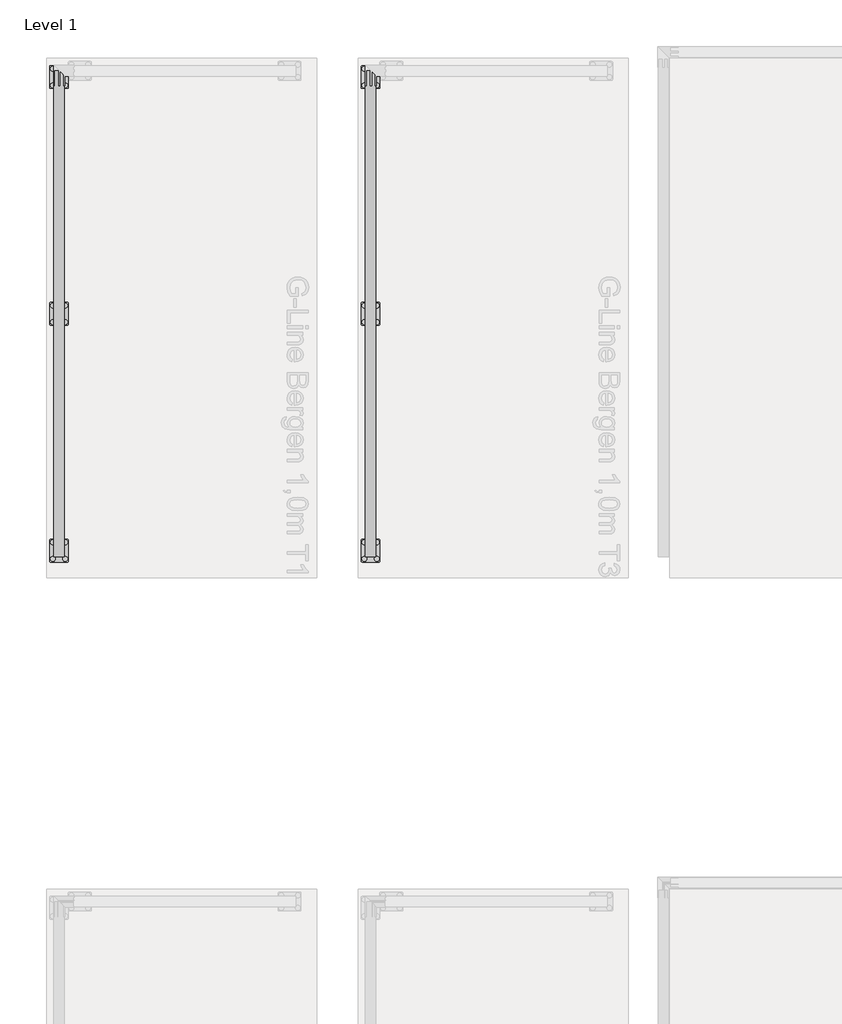
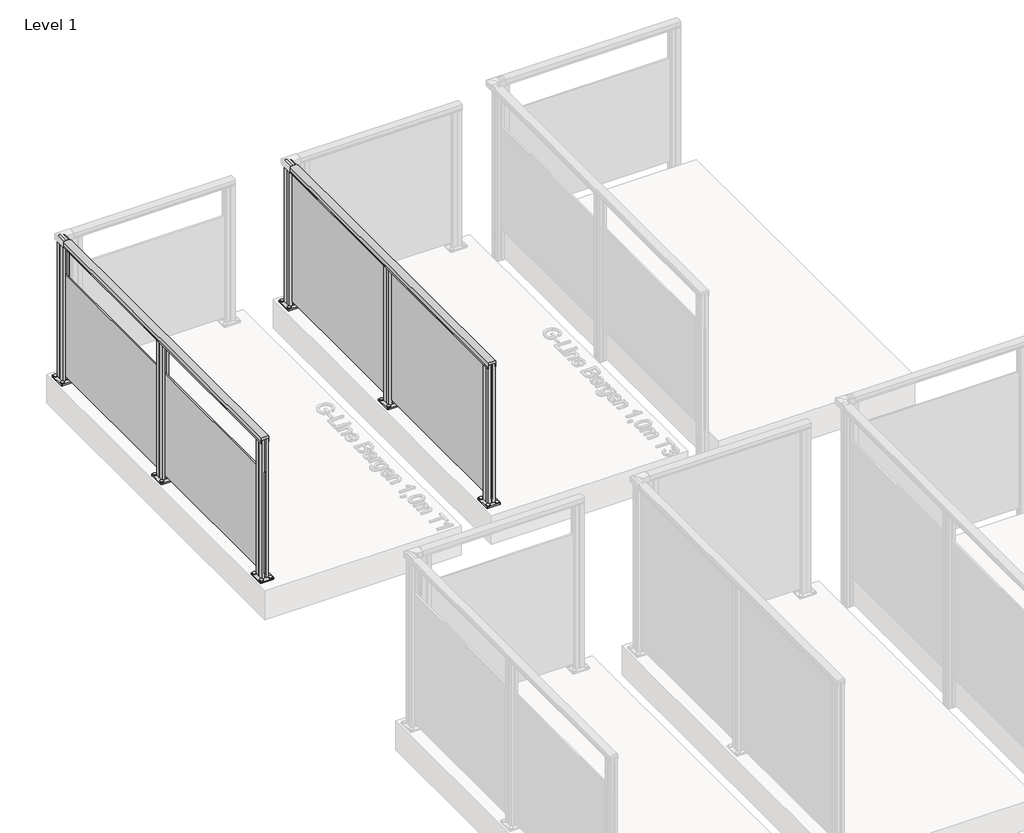
# One storey, part 5 of 13: 2 railings.
"""IFC4 building model written with IfcOpenShell, lengths in millimetres."""

from ifc_helpers import new_model, si_unit, point, frame, frame_2d, origin, origin_with_axes, place, context, project, spatial, polyline, circle_curve, trimmed, segment, composite_curve, outline, extrude, element, save

model = new_model("IFC4")

# Units and contexts
model_context = context("Model", 3, world=origin())
ifc_project = project(units=[si_unit("LENGTHUNIT", "METRE", prefix="MILLI")], contexts=[model_context])

# Site, building, storey
site = spatial("IfcSite", under=ifc_project)
building = spatial("IfcBuilding", under=site)
storey = spatial("IfcBuildingStorey", under=building, Name="Level 1", Elevation=0.0)

# Railings
placement = place(None, origin())
element("IfcRailing", 1, at=placement, inside=storey, context=model_context, shape_type="SweptSolid", body=[
    extrude(outline(composite_curve([segment(trimmed(circle_curve(frame_2d((57.3214498, -0.0047199)), 57.3235687), [point((5.8609941, -25.2596802))], [point((5.8657742, 25.2599781))], False, "CARTESIAN"), True, "CONTINUOUS"), segment(polyline([(5.8657742, 25.2599781), (32.9764977, 25.2599781), (33.5584294, 24.6780464), (34.1805105, 25.3001274), (42.7501153, 25.3001274), (42.7501153, 23.4951745), (19.5001171, 23.4951745), (19.5001171, -23.4998716), (42.7501153, -23.4998716), (42.7501153, -25.2596802), (34.0305105, -25.2596802), (33.4157275, -24.6448972), (32.8009445, -25.2596802), (5.8609941, -25.2596802)]), True, "CONTINUOUS")], self_intersect=False)), frame((-5736.9909016, -39.6459103, 1000.0), z_axis=(1.9358301858992035e-12, 1.0, 0.0), x_axis=(0.0, 0.0, -1.0)), (0.0, 0.0, 1.0), 2340.0),
    extrude(outline(polyline([(-5742.0909978, 2300.3540897), (-5733.3309978, 2300.3540897), (-5733.3309978, -39.6459103), (-5742.0909978, -39.6459103), (-5742.0909978, 2300.3540897)])), frame((0.0, 0.0, 40.0), z_axis=(0.0, 0.0, 1.0), x_axis=(1.0, 0.0, 0.0)), (0.0, 0.0, 1.0), 710.0),
    extrude(outline(composite_curve([segment(trimmed(circle_curve(frame_2d((-5767.7109978, 1170.3540897)), 11.9621755), [point((-5779.6731733, 1170.3540897))], [point((-5755.7488224, 1170.3540897))], False, "CARTESIAN"), True, "CONTINUOUS"), segment(trimmed(circle_curve(frame_2d((-5767.7109978, 1170.3540897)), 11.9621755), [point((-5755.7488224, 1170.3540897))], [point((-5779.6731733, 1170.3540897))], False, "CARTESIAN"), True, "CONTINUOUS")], self_intersect=False)), frame((0.0, 0.0, 10.0), z_axis=(0.0, 0.0, 1.0), x_axis=(1.0, 0.0, 0.0)), (0.0, 0.0, 1.0), 5.0),
    extrude(outline(composite_curve([segment(trimmed(circle_curve(frame_2d((-5707.7109978, 1170.3540897)), 11.9621755), [point((-5719.6731733, 1170.3540897))], [point((-5695.7488224, 1170.3540897))], False, "CARTESIAN"), True, "CONTINUOUS"), segment(trimmed(circle_curve(frame_2d((-5707.7109978, 1170.3540897)), 11.9621755), [point((-5695.7488224, 1170.3540897))], [point((-5719.6731733, 1170.3540897))], False, "CARTESIAN"), True, "CONTINUOUS")], self_intersect=False)), frame((0.0, 0.0, 10.0), z_axis=(0.0, 0.0, 1.0), x_axis=(1.0, 0.0, 0.0)), (0.0, 0.0, 1.0), 5.0),
    extrude(outline(composite_curve([segment(trimmed(circle_curve(frame_2d((-5767.7109978, 1090.3540897)), 11.9621755), [point((-5779.6731733, 1090.3540897))], [point((-5755.7488224, 1090.3540897))], False, "CARTESIAN"), True, "CONTINUOUS"), segment(trimmed(circle_curve(frame_2d((-5767.7109978, 1090.3540897)), 11.9621755), [point((-5755.7488224, 1090.3540897))], [point((-5779.6731733, 1090.3540897))], False, "CARTESIAN"), True, "CONTINUOUS")], self_intersect=False)), frame((0.0, 0.0, 10.0), z_axis=(0.0, 0.0, 1.0), x_axis=(1.0, 0.0, 0.0)), (0.0, 0.0, 1.0), 5.0),
    extrude(outline(composite_curve([segment(trimmed(circle_curve(frame_2d((-5707.7109978, 1090.3540897)), 11.9621755), [point((-5719.6731733, 1090.3540897))], [point((-5695.7488224, 1090.3540897))], False, "CARTESIAN"), True, "CONTINUOUS"), segment(trimmed(circle_curve(frame_2d((-5707.7109978, 1090.3540897)), 11.9621755), [point((-5695.7488224, 1090.3540897))], [point((-5719.6731733, 1090.3540897))], False, "CARTESIAN"), True, "CONTINUOUS")], self_intersect=False)), frame((0.0, 0.0, 10.0), z_axis=(0.0, 0.0, 1.0), x_axis=(1.0, 0.0, 0.0)), (0.0, 0.0, 1.0), 5.0),
    extrude(outline(composite_curve([segment(trimmed(circle_curve(frame_2d((-5697.7109978, 1180.3540897)), 5.0), [point((-5697.7109978, 1185.3540897))], [point((-5692.7109978, 1180.3540897))], False, "CARTESIAN"), True, "CONTINUOUS"), segment(polyline([(-5692.7109978, 1180.3540897), (-5692.7109978, 1080.3540897)]), True, "CONTINUOUS"), segment(trimmed(circle_curve(frame_2d((-5697.7109978, 1080.3540897)), 5.0), [point((-5692.7109978, 1080.3540897))], [point((-5697.7109978, 1075.3540897))], False, "CARTESIAN"), True, "CONTINUOUS"), segment(polyline([(-5697.7109978, 1075.3540897), (-5777.7109978, 1075.3540897)]), True, "CONTINUOUS"), segment(trimmed(circle_curve(frame_2d((-5777.7109978, 1080.3540897)), 5.0), [point((-5777.7109978, 1075.3540897))], [point((-5782.7109978, 1080.3540897))], False, "CARTESIAN"), True, "CONTINUOUS"), segment(polyline([(-5782.7109978, 1080.3540897), (-5782.7109978, 1180.3540897)]), True, "CONTINUOUS"), segment(trimmed(circle_curve(frame_2d((-5777.7109978, 1180.3540897)), 5.0), [point((-5782.7109978, 1180.3540897))], [point((-5777.7109978, 1185.3540897))], False, "CARTESIAN"), True, "CONTINUOUS"), segment(polyline([(-5777.7109978, 1185.3540897), (-5697.7109978, 1185.3540897)]), True, "CONTINUOUS")], self_intersect=False), holes=[composite_curve([segment(trimmed(circle_curve(frame_2d((-5707.7109978, 1170.3540897)), 6.25), [point((-5713.9609978, 1170.3540897))], [point((-5701.4609978, 1170.3540897))], True, "CARTESIAN"), True, "CONTINUOUS"), segment(trimmed(circle_curve(frame_2d((-5707.7109978, 1170.3540897)), 6.25), [point((-5701.4609978, 1170.3540897))], [point((-5713.9609978, 1170.3540897))], True, "CARTESIAN"), True, "CONTINUOUS")], self_intersect=False), composite_curve([segment(trimmed(circle_curve(frame_2d((-5767.7109978, 1170.3540897)), 6.25), [point((-5773.9609978, 1170.3540897))], [point((-5761.4609978, 1170.3540897))], True, "CARTESIAN"), True, "CONTINUOUS"), segment(trimmed(circle_curve(frame_2d((-5767.7109978, 1170.3540897)), 6.25), [point((-5761.4609978, 1170.3540897))], [point((-5773.9609978, 1170.3540897))], True, "CARTESIAN"), True, "CONTINUOUS")], self_intersect=False), composite_curve([segment(trimmed(circle_curve(frame_2d((-5767.7109978, 1090.3540897)), 6.25), [point((-5773.9609978, 1090.3540897))], [point((-5761.4609978, 1090.3540897))], True, "CARTESIAN"), True, "CONTINUOUS"), segment(trimmed(circle_curve(frame_2d((-5767.7109978, 1090.3540897)), 6.25), [point((-5761.4609978, 1090.3540897))], [point((-5773.9609978, 1090.3540897))], True, "CARTESIAN"), True, "CONTINUOUS")], self_intersect=False), composite_curve([segment(trimmed(circle_curve(frame_2d((-5707.7109978, 1090.3540897)), 6.25), [point((-5713.9609978, 1090.3540897))], [point((-5701.4609978, 1090.3540897))], True, "CARTESIAN"), True, "CONTINUOUS"), segment(trimmed(circle_curve(frame_2d((-5707.7109978, 1090.3540897)), 6.25), [point((-5701.4609978, 1090.3540897))], [point((-5713.9609978, 1090.3540897))], True, "CARTESIAN"), True, "CONTINUOUS")], self_intersect=False)]), origin_with_axes(), (0.0, 0.0, 1.0), 10.0),
    extrude(outline(polyline([(-5742.0568598, 1100.3556828), (-5760.2018596, 1100.3530106), (-5760.2061255, 1129.3199976), (-5759.1779842, 1130.3484418), (-5760.1663738, 1131.3365403), (-5760.170647, 1160.3530158), (-5742.0656959, 1160.3556821), (-5742.0631187, 1142.8556823), (-5733.3031188, 1142.8569724), (-5733.305696, 1160.3569722), (-5715.2106962, 1160.359637), (-5715.2064303, 1131.39265), (-5716.1247626, 1130.3547822), (-5715.2463405, 1129.4766187), (-5715.2420524, 1100.3596318), (-5733.2968599, 1100.3569728), (-5733.2994371, 1117.8569727), (-5742.059437, 1117.8556826), (-5742.0568598, 1100.3556828)]), holes=[polyline([(-5717.2049821, 1139.1533047), (-5758.2075736, 1139.1533047), (-5758.2075736, 1121.5593429), (-5717.2049821, 1121.5593429), (-5717.2049821, 1139.1533047)]), polyline([(-5744.0628683, 1158.3533045), (-5758.2104012, 1158.3533045), (-5758.2104012, 1141.1553878), (-5744.0628683, 1141.1553878), (-5744.0628683, 1158.3533045)]), polyline([(-5717.2049821, 1158.3572667), (-5731.3054015, 1158.3572667), (-5731.3054015, 1141.1593431), (-5717.2049821, 1141.1593431), (-5717.2049821, 1158.3572667)]), polyline([(-5744.0571543, 1119.5533049), (-5758.2046872, 1119.5533049), (-5758.2046872, 1102.3553882), (-5744.0571543, 1102.3553882), (-5744.0571543, 1119.5533049)]), polyline([(-5717.1521546, 1119.5572672), (-5731.2996875, 1119.5572672), (-5731.2996875, 1102.3593505), (-5717.1521546, 1102.3593505), (-5717.1521546, 1119.5572672)])]), frame((0.0, 0.0, 10.0), z_axis=(0.0, 0.0, 1.0), x_axis=(1.0, 0.0, 0.0)), (0.0, 0.0, 1.0), 971.0),
    extrude(outline(composite_curve([segment(trimmed(circle_curve(frame_2d((-5767.7109978, 30.3540897)), 11.9621755), [point((-5779.6731733, 30.3540897))], [point((-5755.7488224, 30.3540897))], False, "CARTESIAN"), True, "CONTINUOUS"), segment(trimmed(circle_curve(frame_2d((-5767.7109978, 30.3540897)), 11.9621755), [point((-5755.7488224, 30.3540897))], [point((-5779.6731733, 30.3540897))], False, "CARTESIAN"), True, "CONTINUOUS")], self_intersect=False)), frame((0.0, 0.0, 10.0), z_axis=(0.0, 0.0, 1.0), x_axis=(1.0, 0.0, 0.0)), (0.0, 0.0, 1.0), 5.0),
    extrude(outline(composite_curve([segment(trimmed(circle_curve(frame_2d((-5707.7109978, 30.3540897)), 11.9621755), [point((-5719.6731733, 30.3540897))], [point((-5695.7488224, 30.3540897))], False, "CARTESIAN"), True, "CONTINUOUS"), segment(trimmed(circle_curve(frame_2d((-5707.7109978, 30.3540897)), 11.9621755), [point((-5695.7488224, 30.3540897))], [point((-5719.6731733, 30.3540897))], False, "CARTESIAN"), True, "CONTINUOUS")], self_intersect=False)), frame((0.0, 0.0, 10.0), z_axis=(0.0, 0.0, 1.0), x_axis=(1.0, 0.0, 0.0)), (0.0, 0.0, 1.0), 5.0),
    extrude(outline(composite_curve([segment(trimmed(circle_curve(frame_2d((-5767.7109978, -49.6459103)), 11.9621755), [point((-5779.6731733, -49.6459103))], [point((-5755.7488224, -49.6459103))], False, "CARTESIAN"), True, "CONTINUOUS"), segment(trimmed(circle_curve(frame_2d((-5767.7109978, -49.6459103)), 11.9621755), [point((-5755.7488224, -49.6459103))], [point((-5779.6731733, -49.6459103))], False, "CARTESIAN"), True, "CONTINUOUS")], self_intersect=False)), frame((0.0, 0.0, 10.0), z_axis=(0.0, 0.0, 1.0), x_axis=(1.0, 0.0, 0.0)), (0.0, 0.0, 1.0), 5.0),
    extrude(outline(composite_curve([segment(trimmed(circle_curve(frame_2d((-5707.7109978, -49.6459103)), 11.9621755), [point((-5719.6731733, -49.6459103))], [point((-5695.7488224, -49.6459103))], False, "CARTESIAN"), True, "CONTINUOUS"), segment(trimmed(circle_curve(frame_2d((-5707.7109978, -49.6459103)), 11.9621755), [point((-5695.7488224, -49.6459103))], [point((-5719.6731733, -49.6459103))], False, "CARTESIAN"), True, "CONTINUOUS")], self_intersect=False)), frame((0.0, 0.0, 10.0), z_axis=(0.0, 0.0, 1.0), x_axis=(1.0, 0.0, 0.0)), (0.0, 0.0, 1.0), 5.0),
    extrude(outline(composite_curve([segment(trimmed(circle_curve(frame_2d((-5697.7109978, 40.3540897)), 5.0), [point((-5697.7109978, 45.3540897))], [point((-5692.7109978, 40.3540897))], False, "CARTESIAN"), True, "CONTINUOUS"), segment(polyline([(-5692.7109978, 40.3540897), (-5692.7109978, -59.6459103)]), True, "CONTINUOUS"), segment(trimmed(circle_curve(frame_2d((-5697.7109978, -59.6459103)), 5.0), [point((-5692.7109978, -59.6459103))], [point((-5697.7109978, -64.6459103))], False, "CARTESIAN"), True, "CONTINUOUS"), segment(polyline([(-5697.7109978, -64.6459103), (-5777.7109978, -64.6459103)]), True, "CONTINUOUS"), segment(trimmed(circle_curve(frame_2d((-5777.7109978, -59.6459103)), 5.0), [point((-5777.7109978, -64.6459103))], [point((-5782.7109978, -59.6459103))], False, "CARTESIAN"), True, "CONTINUOUS"), segment(polyline([(-5782.7109978, -59.6459103), (-5782.7109978, 40.3540897)]), True, "CONTINUOUS"), segment(trimmed(circle_curve(frame_2d((-5777.7109978, 40.3540897)), 5.0), [point((-5782.7109978, 40.3540897))], [point((-5777.7109978, 45.3540897))], False, "CARTESIAN"), True, "CONTINUOUS"), segment(polyline([(-5777.7109978, 45.3540897), (-5697.7109978, 45.3540897)]), True, "CONTINUOUS")], self_intersect=False), holes=[composite_curve([segment(trimmed(circle_curve(frame_2d((-5707.7109978, 30.3540897)), 6.25), [point((-5713.9609978, 30.3540897))], [point((-5701.4609978, 30.3540897))], True, "CARTESIAN"), True, "CONTINUOUS"), segment(trimmed(circle_curve(frame_2d((-5707.7109978, 30.3540897)), 6.25), [point((-5701.4609978, 30.3540897))], [point((-5713.9609978, 30.3540897))], True, "CARTESIAN"), True, "CONTINUOUS")], self_intersect=False), composite_curve([segment(trimmed(circle_curve(frame_2d((-5767.7109978, 30.3540897)), 6.25), [point((-5773.9609978, 30.3540897))], [point((-5761.4609978, 30.3540897))], True, "CARTESIAN"), True, "CONTINUOUS"), segment(trimmed(circle_curve(frame_2d((-5767.7109978, 30.3540897)), 6.25), [point((-5761.4609978, 30.3540897))], [point((-5773.9609978, 30.3540897))], True, "CARTESIAN"), True, "CONTINUOUS")], self_intersect=False), composite_curve([segment(trimmed(circle_curve(frame_2d((-5767.7109978, -49.6459103)), 6.25), [point((-5773.9609978, -49.6459103))], [point((-5761.4609978, -49.6459103))], True, "CARTESIAN"), True, "CONTINUOUS"), segment(trimmed(circle_curve(frame_2d((-5767.7109978, -49.6459103)), 6.25), [point((-5761.4609978, -49.6459103))], [point((-5773.9609978, -49.6459103))], True, "CARTESIAN"), True, "CONTINUOUS")], self_intersect=False), composite_curve([segment(trimmed(circle_curve(frame_2d((-5707.7109978, -49.6459103)), 6.25), [point((-5713.9609978, -49.6459103))], [point((-5701.4609978, -49.6459103))], True, "CARTESIAN"), True, "CONTINUOUS"), segment(trimmed(circle_curve(frame_2d((-5707.7109978, -49.6459103)), 6.25), [point((-5701.4609978, -49.6459103))], [point((-5713.9609978, -49.6459103))], True, "CARTESIAN"), True, "CONTINUOUS")], self_intersect=False)]), origin_with_axes(), (0.0, 0.0, 1.0), 10.0),
    extrude(outline(polyline([(-5742.0568598, -39.6443172), (-5760.2018596, -39.6469894), (-5760.2061255, -10.6800024), (-5759.1779842, -9.6515582), (-5760.1663738, -8.6634597), (-5760.170647, 20.3530158), (-5742.0656959, 20.3556821), (-5742.0631187, 2.8556823), (-5733.3031188, 2.8569724), (-5733.305696, 20.3569722), (-5715.2106962, 20.359637), (-5715.2064303, -8.60735), (-5716.1247626, -9.6452178), (-5715.2463405, -10.5233813), (-5715.2420525, -39.6403682), (-5733.2968599, -39.6430272), (-5733.2994371, -22.1430273), (-5742.059437, -22.1443174), (-5742.0568598, -39.6443172)]), holes=[polyline([(-5717.2049821, -0.8466953), (-5758.2075736, -0.8466953), (-5758.2075736, -18.4406571), (-5717.2049821, -18.4406571), (-5717.2049821, -0.8466953)]), polyline([(-5744.0628683, 18.3533045), (-5758.2104012, 18.3533045), (-5758.2104012, 1.1553878), (-5744.0628683, 1.1553878), (-5744.0628683, 18.3533045)]), polyline([(-5717.2049821, 18.3572667), (-5731.3054015, 18.3572667), (-5731.3054015, 1.1593431), (-5717.2049821, 1.1593431), (-5717.2049821, 18.3572667)]), polyline([(-5744.0571543, -20.4466951), (-5758.2046872, -20.4466951), (-5758.2046872, -37.6446118), (-5744.0571543, -37.6446118), (-5744.0571543, -20.4466951)]), polyline([(-5717.1521546, -20.4427328), (-5731.2996875, -20.4427328), (-5731.2996875, -37.6406495), (-5717.1521546, -37.6406495), (-5717.1521546, -20.4427328)])]), frame((0.0, 0.0, 10.0), z_axis=(0.0, 0.0, 1.0), x_axis=(1.0, 0.0, 0.0)), (0.0, 0.0, 1.0), 971.0),
    extrude(outline(composite_curve([segment(trimmed(circle_curve(frame_2d((-5767.7109978, 2310.3540897)), 11.9621755), [point((-5779.6731733, 2310.3540897))], [point((-5755.7488224, 2310.3540897))], False, "CARTESIAN"), True, "CONTINUOUS"), segment(trimmed(circle_curve(frame_2d((-5767.7109978, 2310.3540897)), 11.9621755), [point((-5755.7488224, 2310.3540897))], [point((-5779.6731733, 2310.3540897))], False, "CARTESIAN"), True, "CONTINUOUS")], self_intersect=False)), frame((0.0, 0.0, 10.0), z_axis=(0.0, 0.0, 1.0), x_axis=(1.0, 0.0, 0.0)), (0.0, 0.0, 1.0), 5.0),
    extrude(outline(composite_curve([segment(trimmed(circle_curve(frame_2d((-5707.7109978, 2310.3540897)), 11.9621755), [point((-5719.6731733, 2310.3540897))], [point((-5695.7488224, 2310.3540897))], False, "CARTESIAN"), True, "CONTINUOUS"), segment(trimmed(circle_curve(frame_2d((-5707.7109978, 2310.3540897)), 11.9621755), [point((-5695.7488224, 2310.3540897))], [point((-5719.6731733, 2310.3540897))], False, "CARTESIAN"), True, "CONTINUOUS")], self_intersect=False)), frame((0.0, 0.0, 10.0), z_axis=(0.0, 0.0, 1.0), x_axis=(1.0, 0.0, 0.0)), (0.0, 0.0, 1.0), 5.0),
    extrude(outline(composite_curve([segment(trimmed(circle_curve(frame_2d((-5767.7109978, 2230.3540897)), 11.9621755), [point((-5779.6731733, 2230.3540897))], [point((-5755.7488224, 2230.3540897))], False, "CARTESIAN"), True, "CONTINUOUS"), segment(trimmed(circle_curve(frame_2d((-5767.7109978, 2230.3540897)), 11.9621755), [point((-5755.7488224, 2230.3540897))], [point((-5779.6731733, 2230.3540897))], False, "CARTESIAN"), True, "CONTINUOUS")], self_intersect=False)), frame((0.0, 0.0, 10.0), z_axis=(0.0, 0.0, 1.0), x_axis=(1.0, 0.0, 0.0)), (0.0, 0.0, 1.0), 5.0),
    extrude(outline(composite_curve([segment(trimmed(circle_curve(frame_2d((-5707.7109978, 2230.3540897)), 11.9621755), [point((-5719.6731733, 2230.3540897))], [point((-5695.7488224, 2230.3540897))], False, "CARTESIAN"), True, "CONTINUOUS"), segment(trimmed(circle_curve(frame_2d((-5707.7109978, 2230.3540897)), 11.9621755), [point((-5695.7488224, 2230.3540897))], [point((-5719.6731733, 2230.3540897))], False, "CARTESIAN"), True, "CONTINUOUS")], self_intersect=False)), frame((0.0, 0.0, 10.0), z_axis=(0.0, 0.0, 1.0), x_axis=(1.0, 0.0, 0.0)), (0.0, 0.0, 1.0), 5.0),
    extrude(outline(composite_curve([segment(trimmed(circle_curve(frame_2d((-5697.7109978, 2320.3540897)), 5.0), [point((-5697.7109978, 2325.3540897))], [point((-5692.7109978, 2320.3540897))], False, "CARTESIAN"), True, "CONTINUOUS"), segment(polyline([(-5692.7109978, 2320.3540897), (-5692.7109978, 2220.3540897)]), True, "CONTINUOUS"), segment(trimmed(circle_curve(frame_2d((-5697.7109978, 2220.3540897)), 5.0), [point((-5692.7109978, 2220.3540897))], [point((-5697.7109978, 2215.3540897))], False, "CARTESIAN"), True, "CONTINUOUS"), segment(polyline([(-5697.7109978, 2215.3540897), (-5777.7109978, 2215.3540897)]), True, "CONTINUOUS"), segment(trimmed(circle_curve(frame_2d((-5777.7109978, 2220.3540897)), 5.0), [point((-5777.7109978, 2215.3540897))], [point((-5782.7109978, 2220.3540897))], False, "CARTESIAN"), True, "CONTINUOUS"), segment(polyline([(-5782.7109978, 2220.3540897), (-5782.7109978, 2320.3540897)]), True, "CONTINUOUS"), segment(trimmed(circle_curve(frame_2d((-5777.7109978, 2320.3540897)), 5.0), [point((-5782.7109978, 2320.3540897))], [point((-5777.7109978, 2325.3540897))], False, "CARTESIAN"), True, "CONTINUOUS"), segment(polyline([(-5777.7109978, 2325.3540897), (-5697.7109978, 2325.3540897)]), True, "CONTINUOUS")], self_intersect=False), holes=[composite_curve([segment(trimmed(circle_curve(frame_2d((-5707.7109978, 2310.3540897)), 6.25), [point((-5713.9609978, 2310.3540897))], [point((-5701.4609978, 2310.3540897))], True, "CARTESIAN"), True, "CONTINUOUS"), segment(trimmed(circle_curve(frame_2d((-5707.7109978, 2310.3540897)), 6.25), [point((-5701.4609978, 2310.3540897))], [point((-5713.9609978, 2310.3540897))], True, "CARTESIAN"), True, "CONTINUOUS")], self_intersect=False), composite_curve([segment(trimmed(circle_curve(frame_2d((-5767.7109978, 2310.3540897)), 6.25), [point((-5773.9609978, 2310.3540897))], [point((-5761.4609978, 2310.3540897))], True, "CARTESIAN"), True, "CONTINUOUS"), segment(trimmed(circle_curve(frame_2d((-5767.7109978, 2310.3540897)), 6.25), [point((-5761.4609978, 2310.3540897))], [point((-5773.9609978, 2310.3540897))], True, "CARTESIAN"), True, "CONTINUOUS")], self_intersect=False), composite_curve([segment(trimmed(circle_curve(frame_2d((-5767.7109978, 2230.3540897)), 6.25), [point((-5773.9609978, 2230.3540897))], [point((-5761.4609978, 2230.3540897))], True, "CARTESIAN"), True, "CONTINUOUS"), segment(trimmed(circle_curve(frame_2d((-5767.7109978, 2230.3540897)), 6.25), [point((-5761.4609978, 2230.3540897))], [point((-5773.9609978, 2230.3540897))], True, "CARTESIAN"), True, "CONTINUOUS")], self_intersect=False), composite_curve([segment(trimmed(circle_curve(frame_2d((-5707.7109978, 2230.3540897)), 6.25), [point((-5713.9609978, 2230.3540897))], [point((-5701.4609978, 2230.3540897))], True, "CARTESIAN"), True, "CONTINUOUS"), segment(trimmed(circle_curve(frame_2d((-5707.7109978, 2230.3540897)), 6.25), [point((-5701.4609978, 2230.3540897))], [point((-5713.9609978, 2230.3540897))], True, "CARTESIAN"), True, "CONTINUOUS")], self_intersect=False)]), origin_with_axes(), (0.0, 0.0, 1.0), 10.0),
    extrude(outline(polyline([(-5742.0568598, 2240.3556828), (-5760.2018596, 2240.3530106), (-5760.2061255, 2269.3199976), (-5759.1779842, 2270.3484418), (-5760.1663738, 2271.3365403), (-5760.170647, 2300.3530158), (-5742.0656959, 2300.3556821), (-5742.0631187, 2282.8556823), (-5733.3031188, 2282.8569724), (-5733.305696, 2300.3569722), (-5715.2106962, 2300.359637), (-5715.2064303, 2271.39265), (-5716.1247626, 2270.3547822), (-5715.2463405, 2269.4766187), (-5715.2420524, 2240.3596318), (-5733.2968599, 2240.3569728), (-5733.2994371, 2257.8569727), (-5742.059437, 2257.8556826), (-5742.0568598, 2240.3556828)]), holes=[polyline([(-5717.2049821, 2279.1533047), (-5758.2075736, 2279.1533047), (-5758.2075736, 2261.5593429), (-5717.2049821, 2261.5593429), (-5717.2049821, 2279.1533047)]), polyline([(-5744.0628683, 2298.3533045), (-5758.2104012, 2298.3533045), (-5758.2104012, 2281.1553878), (-5744.0628683, 2281.1553878), (-5744.0628683, 2298.3533045)]), polyline([(-5717.2049821, 2298.3572667), (-5731.3054015, 2298.3572667), (-5731.3054015, 2281.1593431), (-5717.2049821, 2281.1593431), (-5717.2049821, 2298.3572667)]), polyline([(-5744.0571543, 2259.5533049), (-5758.2046872, 2259.5533049), (-5758.2046872, 2242.3553882), (-5744.0571543, 2242.3553882), (-5744.0571543, 2259.5533049)]), polyline([(-5717.1521546, 2259.5572672), (-5731.2996875, 2259.5572672), (-5731.2996875, 2242.3593505), (-5717.1521546, 2242.3593505), (-5717.1521546, 2259.5572672)])]), frame((0.0, 0.0, 10.0), z_axis=(0.0, 0.0, 1.0), x_axis=(1.0, 0.0, 0.0)), (0.0, 0.0, 1.0), 971.0),
])
element("IfcRailing", 2, at=placement, inside=storey, context=model_context, shape_type="SweptSolid", body=[
    extrude(outline(composite_curve([segment(trimmed(circle_curve(frame_2d((57.3214498, -0.0047199)), 57.3235687), [point((5.8609941, -25.2596802))], [point((5.8657742, 25.2599781))], False, "CARTESIAN"), True, "CONTINUOUS"), segment(polyline([(5.8657742, 25.2599781), (32.9764977, 25.2599781), (33.5584294, 24.6780464), (34.1805105, 25.3001274), (42.7501153, 25.3001274), (42.7501153, 23.4951745), (19.5001171, 23.4951745), (19.5001171, -23.4998716), (42.7501153, -23.4998716), (42.7501153, -25.2596802), (34.0305105, -25.2596802), (33.4157275, -24.6448972), (32.8009445, -25.2596802), (5.8609941, -25.2596802)]), True, "CONTINUOUS")], self_intersect=False)), frame((-4236.9909016, -39.6459103, 1000.0), z_axis=(1.9358301858992035e-12, 1.0, 0.0), x_axis=(0.0, 0.0, -1.0)), (0.0, 0.0, 1.0), 2340.0),
    extrude(outline(polyline([(-4242.0909978, 2300.3540897), (-4233.3309978, 2300.3540897), (-4233.3309978, -39.6459103), (-4242.0909978, -39.6459103), (-4242.0909978, 2300.3540897)])), frame((0.0, 0.0, 40.0), z_axis=(0.0, 0.0, 1.0), x_axis=(1.0, 0.0, 0.0)), (0.0, 0.0, 1.0), 940.0),
    extrude(outline(composite_curve([segment(trimmed(circle_curve(frame_2d((-4267.7109978, 1170.3540897)), 11.9621755), [point((-4279.6731733, 1170.3540897))], [point((-4255.7488224, 1170.3540897))], False, "CARTESIAN"), True, "CONTINUOUS"), segment(trimmed(circle_curve(frame_2d((-4267.7109978, 1170.3540897)), 11.9621755), [point((-4255.7488224, 1170.3540897))], [point((-4279.6731733, 1170.3540897))], False, "CARTESIAN"), True, "CONTINUOUS")], self_intersect=False)), frame((0.0, 0.0, 10.0), z_axis=(0.0, 0.0, 1.0), x_axis=(1.0, 0.0, 0.0)), (0.0, 0.0, 1.0), 5.0),
    extrude(outline(composite_curve([segment(trimmed(circle_curve(frame_2d((-4207.7109978, 1170.3540897)), 11.9621755), [point((-4219.6731733, 1170.3540897))], [point((-4195.7488224, 1170.3540897))], False, "CARTESIAN"), True, "CONTINUOUS"), segment(trimmed(circle_curve(frame_2d((-4207.7109978, 1170.3540897)), 11.9621755), [point((-4195.7488224, 1170.3540897))], [point((-4219.6731733, 1170.3540897))], False, "CARTESIAN"), True, "CONTINUOUS")], self_intersect=False)), frame((0.0, 0.0, 10.0), z_axis=(0.0, 0.0, 1.0), x_axis=(1.0, 0.0, 0.0)), (0.0, 0.0, 1.0), 5.0),
    extrude(outline(composite_curve([segment(trimmed(circle_curve(frame_2d((-4267.7109978, 1090.3540897)), 11.9621755), [point((-4279.6731733, 1090.3540897))], [point((-4255.7488224, 1090.3540897))], False, "CARTESIAN"), True, "CONTINUOUS"), segment(trimmed(circle_curve(frame_2d((-4267.7109978, 1090.3540897)), 11.9621755), [point((-4255.7488224, 1090.3540897))], [point((-4279.6731733, 1090.3540897))], False, "CARTESIAN"), True, "CONTINUOUS")], self_intersect=False)), frame((0.0, 0.0, 10.0), z_axis=(0.0, 0.0, 1.0), x_axis=(1.0, 0.0, 0.0)), (0.0, 0.0, 1.0), 5.0),
    extrude(outline(composite_curve([segment(trimmed(circle_curve(frame_2d((-4207.7109978, 1090.3540897)), 11.9621755), [point((-4219.6731733, 1090.3540897))], [point((-4195.7488224, 1090.3540897))], False, "CARTESIAN"), True, "CONTINUOUS"), segment(trimmed(circle_curve(frame_2d((-4207.7109978, 1090.3540897)), 11.9621755), [point((-4195.7488224, 1090.3540897))], [point((-4219.6731733, 1090.3540897))], False, "CARTESIAN"), True, "CONTINUOUS")], self_intersect=False)), frame((0.0, 0.0, 10.0), z_axis=(0.0, 0.0, 1.0), x_axis=(1.0, 0.0, 0.0)), (0.0, 0.0, 1.0), 5.0),
    extrude(outline(composite_curve([segment(trimmed(circle_curve(frame_2d((-4197.7109978, 1180.3540897)), 5.0), [point((-4197.7109978, 1185.3540897))], [point((-4192.7109978, 1180.3540897))], False, "CARTESIAN"), True, "CONTINUOUS"), segment(polyline([(-4192.7109978, 1180.3540897), (-4192.7109978, 1080.3540897)]), True, "CONTINUOUS"), segment(trimmed(circle_curve(frame_2d((-4197.7109978, 1080.3540897)), 5.0), [point((-4192.7109978, 1080.3540897))], [point((-4197.7109978, 1075.3540897))], False, "CARTESIAN"), True, "CONTINUOUS"), segment(polyline([(-4197.7109978, 1075.3540897), (-4277.7109978, 1075.3540897)]), True, "CONTINUOUS"), segment(trimmed(circle_curve(frame_2d((-4277.7109978, 1080.3540897)), 5.0), [point((-4277.7109978, 1075.3540897))], [point((-4282.7109978, 1080.3540897))], False, "CARTESIAN"), True, "CONTINUOUS"), segment(polyline([(-4282.7109978, 1080.3540897), (-4282.7109978, 1180.3540897)]), True, "CONTINUOUS"), segment(trimmed(circle_curve(frame_2d((-4277.7109978, 1180.3540897)), 5.0), [point((-4282.7109978, 1180.3540897))], [point((-4277.7109978, 1185.3540897))], False, "CARTESIAN"), True, "CONTINUOUS"), segment(polyline([(-4277.7109978, 1185.3540897), (-4197.7109978, 1185.3540897)]), True, "CONTINUOUS")], self_intersect=False), holes=[composite_curve([segment(trimmed(circle_curve(frame_2d((-4207.7109978, 1170.3540897)), 6.25), [point((-4213.9609978, 1170.3540897))], [point((-4201.4609978, 1170.3540897))], True, "CARTESIAN"), True, "CONTINUOUS"), segment(trimmed(circle_curve(frame_2d((-4207.7109978, 1170.3540897)), 6.25), [point((-4201.4609978, 1170.3540897))], [point((-4213.9609978, 1170.3540897))], True, "CARTESIAN"), True, "CONTINUOUS")], self_intersect=False), composite_curve([segment(trimmed(circle_curve(frame_2d((-4267.7109978, 1170.3540897)), 6.25), [point((-4273.9609978, 1170.3540897))], [point((-4261.4609978, 1170.3540897))], True, "CARTESIAN"), True, "CONTINUOUS"), segment(trimmed(circle_curve(frame_2d((-4267.7109978, 1170.3540897)), 6.25), [point((-4261.4609978, 1170.3540897))], [point((-4273.9609978, 1170.3540897))], True, "CARTESIAN"), True, "CONTINUOUS")], self_intersect=False), composite_curve([segment(trimmed(circle_curve(frame_2d((-4267.7109978, 1090.3540897)), 6.25), [point((-4273.9609978, 1090.3540897))], [point((-4261.4609978, 1090.3540897))], True, "CARTESIAN"), True, "CONTINUOUS"), segment(trimmed(circle_curve(frame_2d((-4267.7109978, 1090.3540897)), 6.25), [point((-4261.4609978, 1090.3540897))], [point((-4273.9609978, 1090.3540897))], True, "CARTESIAN"), True, "CONTINUOUS")], self_intersect=False), composite_curve([segment(trimmed(circle_curve(frame_2d((-4207.7109978, 1090.3540897)), 6.25), [point((-4213.9609978, 1090.3540897))], [point((-4201.4609978, 1090.3540897))], True, "CARTESIAN"), True, "CONTINUOUS"), segment(trimmed(circle_curve(frame_2d((-4207.7109978, 1090.3540897)), 6.25), [point((-4201.4609978, 1090.3540897))], [point((-4213.9609978, 1090.3540897))], True, "CARTESIAN"), True, "CONTINUOUS")], self_intersect=False)]), origin_with_axes(), (0.0, 0.0, 1.0), 10.0),
    extrude(outline(polyline([(-4242.0568598, 1100.3556828), (-4260.2018596, 1100.3530106), (-4260.2061255, 1129.3199976), (-4259.1779842, 1130.3484418), (-4260.1663738, 1131.3365403), (-4260.170647, 1160.3530158), (-4242.0656959, 1160.3556821), (-4242.0631187, 1142.8556823), (-4233.3031188, 1142.8569724), (-4233.305696, 1160.3569722), (-4215.2106962, 1160.359637), (-4215.2064303, 1131.39265), (-4216.1247626, 1130.3547822), (-4215.2463405, 1129.4766187), (-4215.2420524, 1100.3596318), (-4233.2968599, 1100.3569728), (-4233.2994371, 1117.8569727), (-4242.059437, 1117.8556826), (-4242.0568598, 1100.3556828)]), holes=[polyline([(-4217.2049821, 1139.1533047), (-4258.2075736, 1139.1533047), (-4258.2075736, 1121.5593429), (-4217.2049821, 1121.5593429), (-4217.2049821, 1139.1533047)]), polyline([(-4244.0628683, 1158.3533045), (-4258.2104012, 1158.3533045), (-4258.2104012, 1141.1553878), (-4244.0628683, 1141.1553878), (-4244.0628683, 1158.3533045)]), polyline([(-4217.2049821, 1158.3572667), (-4231.3054015, 1158.3572667), (-4231.3054015, 1141.1593431), (-4217.2049821, 1141.1593431), (-4217.2049821, 1158.3572667)]), polyline([(-4244.0571543, 1119.5533049), (-4258.2046872, 1119.5533049), (-4258.2046872, 1102.3553882), (-4244.0571543, 1102.3553882), (-4244.0571543, 1119.5533049)]), polyline([(-4217.1521546, 1119.5572672), (-4231.2996875, 1119.5572672), (-4231.2996875, 1102.3593505), (-4217.1521546, 1102.3593505), (-4217.1521546, 1119.5572672)])]), frame((0.0, 0.0, 10.0), z_axis=(0.0, 0.0, 1.0), x_axis=(1.0, 0.0, 0.0)), (0.0, 0.0, 1.0), 971.0),
    extrude(outline(composite_curve([segment(trimmed(circle_curve(frame_2d((-4267.7109978, 30.3540897)), 11.9621755), [point((-4279.6731733, 30.3540897))], [point((-4255.7488224, 30.3540897))], False, "CARTESIAN"), True, "CONTINUOUS"), segment(trimmed(circle_curve(frame_2d((-4267.7109978, 30.3540897)), 11.9621755), [point((-4255.7488224, 30.3540897))], [point((-4279.6731733, 30.3540897))], False, "CARTESIAN"), True, "CONTINUOUS")], self_intersect=False)), frame((0.0, 0.0, 10.0), z_axis=(0.0, 0.0, 1.0), x_axis=(1.0, 0.0, 0.0)), (0.0, 0.0, 1.0), 5.0),
    extrude(outline(composite_curve([segment(trimmed(circle_curve(frame_2d((-4207.7109978, 30.3540897)), 11.9621755), [point((-4219.6731733, 30.3540897))], [point((-4195.7488224, 30.3540897))], False, "CARTESIAN"), True, "CONTINUOUS"), segment(trimmed(circle_curve(frame_2d((-4207.7109978, 30.3540897)), 11.9621755), [point((-4195.7488224, 30.3540897))], [point((-4219.6731733, 30.3540897))], False, "CARTESIAN"), True, "CONTINUOUS")], self_intersect=False)), frame((0.0, 0.0, 10.0), z_axis=(0.0, 0.0, 1.0), x_axis=(1.0, 0.0, 0.0)), (0.0, 0.0, 1.0), 5.0),
    extrude(outline(composite_curve([segment(trimmed(circle_curve(frame_2d((-4267.7109978, -49.6459103)), 11.9621755), [point((-4279.6731733, -49.6459103))], [point((-4255.7488224, -49.6459103))], False, "CARTESIAN"), True, "CONTINUOUS"), segment(trimmed(circle_curve(frame_2d((-4267.7109978, -49.6459103)), 11.9621755), [point((-4255.7488224, -49.6459103))], [point((-4279.6731733, -49.6459103))], False, "CARTESIAN"), True, "CONTINUOUS")], self_intersect=False)), frame((0.0, 0.0, 10.0), z_axis=(0.0, 0.0, 1.0), x_axis=(1.0, 0.0, 0.0)), (0.0, 0.0, 1.0), 5.0),
    extrude(outline(composite_curve([segment(trimmed(circle_curve(frame_2d((-4207.7109978, -49.6459103)), 11.9621755), [point((-4219.6731733, -49.6459103))], [point((-4195.7488224, -49.6459103))], False, "CARTESIAN"), True, "CONTINUOUS"), segment(trimmed(circle_curve(frame_2d((-4207.7109978, -49.6459103)), 11.9621755), [point((-4195.7488224, -49.6459103))], [point((-4219.6731733, -49.6459103))], False, "CARTESIAN"), True, "CONTINUOUS")], self_intersect=False)), frame((0.0, 0.0, 10.0), z_axis=(0.0, 0.0, 1.0), x_axis=(1.0, 0.0, 0.0)), (0.0, 0.0, 1.0), 5.0),
    extrude(outline(composite_curve([segment(trimmed(circle_curve(frame_2d((-4197.7109978, 40.3540897)), 5.0), [point((-4197.7109978, 45.3540897))], [point((-4192.7109978, 40.3540897))], False, "CARTESIAN"), True, "CONTINUOUS"), segment(polyline([(-4192.7109978, 40.3540897), (-4192.7109978, -59.6459103)]), True, "CONTINUOUS"), segment(trimmed(circle_curve(frame_2d((-4197.7109978, -59.6459103)), 5.0), [point((-4192.7109978, -59.6459103))], [point((-4197.7109978, -64.6459103))], False, "CARTESIAN"), True, "CONTINUOUS"), segment(polyline([(-4197.7109978, -64.6459103), (-4277.7109978, -64.6459103)]), True, "CONTINUOUS"), segment(trimmed(circle_curve(frame_2d((-4277.7109978, -59.6459103)), 5.0), [point((-4277.7109978, -64.6459103))], [point((-4282.7109978, -59.6459103))], False, "CARTESIAN"), True, "CONTINUOUS"), segment(polyline([(-4282.7109978, -59.6459103), (-4282.7109978, 40.3540897)]), True, "CONTINUOUS"), segment(trimmed(circle_curve(frame_2d((-4277.7109978, 40.3540897)), 5.0), [point((-4282.7109978, 40.3540897))], [point((-4277.7109978, 45.3540897))], False, "CARTESIAN"), True, "CONTINUOUS"), segment(polyline([(-4277.7109978, 45.3540897), (-4197.7109978, 45.3540897)]), True, "CONTINUOUS")], self_intersect=False), holes=[composite_curve([segment(trimmed(circle_curve(frame_2d((-4207.7109978, 30.3540897)), 6.25), [point((-4213.9609978, 30.3540897))], [point((-4201.4609978, 30.3540897))], True, "CARTESIAN"), True, "CONTINUOUS"), segment(trimmed(circle_curve(frame_2d((-4207.7109978, 30.3540897)), 6.25), [point((-4201.4609978, 30.3540897))], [point((-4213.9609978, 30.3540897))], True, "CARTESIAN"), True, "CONTINUOUS")], self_intersect=False), composite_curve([segment(trimmed(circle_curve(frame_2d((-4267.7109978, 30.3540897)), 6.25), [point((-4273.9609978, 30.3540897))], [point((-4261.4609978, 30.3540897))], True, "CARTESIAN"), True, "CONTINUOUS"), segment(trimmed(circle_curve(frame_2d((-4267.7109978, 30.3540897)), 6.25), [point((-4261.4609978, 30.3540897))], [point((-4273.9609978, 30.3540897))], True, "CARTESIAN"), True, "CONTINUOUS")], self_intersect=False), composite_curve([segment(trimmed(circle_curve(frame_2d((-4267.7109978, -49.6459103)), 6.25), [point((-4273.9609978, -49.6459103))], [point((-4261.4609978, -49.6459103))], True, "CARTESIAN"), True, "CONTINUOUS"), segment(trimmed(circle_curve(frame_2d((-4267.7109978, -49.6459103)), 6.25), [point((-4261.4609978, -49.6459103))], [point((-4273.9609978, -49.6459103))], True, "CARTESIAN"), True, "CONTINUOUS")], self_intersect=False), composite_curve([segment(trimmed(circle_curve(frame_2d((-4207.7109978, -49.6459103)), 6.25), [point((-4213.9609978, -49.6459103))], [point((-4201.4609978, -49.6459103))], True, "CARTESIAN"), True, "CONTINUOUS"), segment(trimmed(circle_curve(frame_2d((-4207.7109978, -49.6459103)), 6.25), [point((-4201.4609978, -49.6459103))], [point((-4213.9609978, -49.6459103))], True, "CARTESIAN"), True, "CONTINUOUS")], self_intersect=False)]), origin_with_axes(), (0.0, 0.0, 1.0), 10.0),
    extrude(outline(polyline([(-4242.0568598, -39.6443172), (-4260.2018596, -39.6469894), (-4260.2061255, -10.6800024), (-4259.1779842, -9.6515582), (-4260.1663738, -8.6634597), (-4260.170647, 20.3530158), (-4242.0656959, 20.3556821), (-4242.0631187, 2.8556823), (-4233.3031188, 2.8569724), (-4233.305696, 20.3569722), (-4215.2106962, 20.359637), (-4215.2064303, -8.60735), (-4216.1247626, -9.6452178), (-4215.2463405, -10.5233813), (-4215.2420525, -39.6403682), (-4233.2968599, -39.6430272), (-4233.2994371, -22.1430273), (-4242.059437, -22.1443174), (-4242.0568598, -39.6443172)]), holes=[polyline([(-4217.2049821, -0.8466953), (-4258.2075736, -0.8466953), (-4258.2075736, -18.4406571), (-4217.2049821, -18.4406571), (-4217.2049821, -0.8466953)]), polyline([(-4244.0628683, 18.3533045), (-4258.2104012, 18.3533045), (-4258.2104012, 1.1553878), (-4244.0628683, 1.1553878), (-4244.0628683, 18.3533045)]), polyline([(-4217.2049821, 18.3572667), (-4231.3054015, 18.3572667), (-4231.3054015, 1.1593431), (-4217.2049821, 1.1593431), (-4217.2049821, 18.3572667)]), polyline([(-4244.0571543, -20.4466951), (-4258.2046872, -20.4466951), (-4258.2046872, -37.6446118), (-4244.0571543, -37.6446118), (-4244.0571543, -20.4466951)]), polyline([(-4217.1521546, -20.4427328), (-4231.2996875, -20.4427328), (-4231.2996875, -37.6406495), (-4217.1521546, -37.6406495), (-4217.1521546, -20.4427328)])]), frame((0.0, 0.0, 10.0), z_axis=(0.0, 0.0, 1.0), x_axis=(1.0, 0.0, 0.0)), (0.0, 0.0, 1.0), 971.0),
    extrude(outline(composite_curve([segment(trimmed(circle_curve(frame_2d((-4267.7109978, 2310.3540897)), 11.9621755), [point((-4279.6731733, 2310.3540897))], [point((-4255.7488224, 2310.3540897))], False, "CARTESIAN"), True, "CONTINUOUS"), segment(trimmed(circle_curve(frame_2d((-4267.7109978, 2310.3540897)), 11.9621755), [point((-4255.7488224, 2310.3540897))], [point((-4279.6731733, 2310.3540897))], False, "CARTESIAN"), True, "CONTINUOUS")], self_intersect=False)), frame((0.0, 0.0, 10.0), z_axis=(0.0, 0.0, 1.0), x_axis=(1.0, 0.0, 0.0)), (0.0, 0.0, 1.0), 5.0),
    extrude(outline(composite_curve([segment(trimmed(circle_curve(frame_2d((-4207.7109978, 2310.3540897)), 11.9621755), [point((-4219.6731733, 2310.3540897))], [point((-4195.7488224, 2310.3540897))], False, "CARTESIAN"), True, "CONTINUOUS"), segment(trimmed(circle_curve(frame_2d((-4207.7109978, 2310.3540897)), 11.9621755), [point((-4195.7488224, 2310.3540897))], [point((-4219.6731733, 2310.3540897))], False, "CARTESIAN"), True, "CONTINUOUS")], self_intersect=False)), frame((0.0, 0.0, 10.0), z_axis=(0.0, 0.0, 1.0), x_axis=(1.0, 0.0, 0.0)), (0.0, 0.0, 1.0), 5.0),
    extrude(outline(composite_curve([segment(trimmed(circle_curve(frame_2d((-4267.7109978, 2230.3540897)), 11.9621755), [point((-4279.6731733, 2230.3540897))], [point((-4255.7488224, 2230.3540897))], False, "CARTESIAN"), True, "CONTINUOUS"), segment(trimmed(circle_curve(frame_2d((-4267.7109978, 2230.3540897)), 11.9621755), [point((-4255.7488224, 2230.3540897))], [point((-4279.6731733, 2230.3540897))], False, "CARTESIAN"), True, "CONTINUOUS")], self_intersect=False)), frame((0.0, 0.0, 10.0), z_axis=(0.0, 0.0, 1.0), x_axis=(1.0, 0.0, 0.0)), (0.0, 0.0, 1.0), 5.0),
    extrude(outline(composite_curve([segment(trimmed(circle_curve(frame_2d((-4207.7109978, 2230.3540897)), 11.9621755), [point((-4219.6731733, 2230.3540897))], [point((-4195.7488224, 2230.3540897))], False, "CARTESIAN"), True, "CONTINUOUS"), segment(trimmed(circle_curve(frame_2d((-4207.7109978, 2230.3540897)), 11.9621755), [point((-4195.7488224, 2230.3540897))], [point((-4219.6731733, 2230.3540897))], False, "CARTESIAN"), True, "CONTINUOUS")], self_intersect=False)), frame((0.0, 0.0, 10.0), z_axis=(0.0, 0.0, 1.0), x_axis=(1.0, 0.0, 0.0)), (0.0, 0.0, 1.0), 5.0),
    extrude(outline(composite_curve([segment(trimmed(circle_curve(frame_2d((-4197.7109978, 2320.3540897)), 5.0), [point((-4197.7109978, 2325.3540897))], [point((-4192.7109978, 2320.3540897))], False, "CARTESIAN"), True, "CONTINUOUS"), segment(polyline([(-4192.7109978, 2320.3540897), (-4192.7109978, 2220.3540897)]), True, "CONTINUOUS"), segment(trimmed(circle_curve(frame_2d((-4197.7109978, 2220.3540897)), 5.0), [point((-4192.7109978, 2220.3540897))], [point((-4197.7109978, 2215.3540897))], False, "CARTESIAN"), True, "CONTINUOUS"), segment(polyline([(-4197.7109978, 2215.3540897), (-4277.7109978, 2215.3540897)]), True, "CONTINUOUS"), segment(trimmed(circle_curve(frame_2d((-4277.7109978, 2220.3540897)), 5.0), [point((-4277.7109978, 2215.3540897))], [point((-4282.7109978, 2220.3540897))], False, "CARTESIAN"), True, "CONTINUOUS"), segment(polyline([(-4282.7109978, 2220.3540897), (-4282.7109978, 2320.3540897)]), True, "CONTINUOUS"), segment(trimmed(circle_curve(frame_2d((-4277.7109978, 2320.3540897)), 5.0), [point((-4282.7109978, 2320.3540897))], [point((-4277.7109978, 2325.3540897))], False, "CARTESIAN"), True, "CONTINUOUS"), segment(polyline([(-4277.7109978, 2325.3540897), (-4197.7109978, 2325.3540897)]), True, "CONTINUOUS")], self_intersect=False), holes=[composite_curve([segment(trimmed(circle_curve(frame_2d((-4207.7109978, 2310.3540897)), 6.25), [point((-4213.9609978, 2310.3540897))], [point((-4201.4609978, 2310.3540897))], True, "CARTESIAN"), True, "CONTINUOUS"), segment(trimmed(circle_curve(frame_2d((-4207.7109978, 2310.3540897)), 6.25), [point((-4201.4609978, 2310.3540897))], [point((-4213.9609978, 2310.3540897))], True, "CARTESIAN"), True, "CONTINUOUS")], self_intersect=False), composite_curve([segment(trimmed(circle_curve(frame_2d((-4267.7109978, 2310.3540897)), 6.25), [point((-4273.9609978, 2310.3540897))], [point((-4261.4609978, 2310.3540897))], True, "CARTESIAN"), True, "CONTINUOUS"), segment(trimmed(circle_curve(frame_2d((-4267.7109978, 2310.3540897)), 6.25), [point((-4261.4609978, 2310.3540897))], [point((-4273.9609978, 2310.3540897))], True, "CARTESIAN"), True, "CONTINUOUS")], self_intersect=False), composite_curve([segment(trimmed(circle_curve(frame_2d((-4267.7109978, 2230.3540897)), 6.25), [point((-4273.9609978, 2230.3540897))], [point((-4261.4609978, 2230.3540897))], True, "CARTESIAN"), True, "CONTINUOUS"), segment(trimmed(circle_curve(frame_2d((-4267.7109978, 2230.3540897)), 6.25), [point((-4261.4609978, 2230.3540897))], [point((-4273.9609978, 2230.3540897))], True, "CARTESIAN"), True, "CONTINUOUS")], self_intersect=False), composite_curve([segment(trimmed(circle_curve(frame_2d((-4207.7109978, 2230.3540897)), 6.25), [point((-4213.9609978, 2230.3540897))], [point((-4201.4609978, 2230.3540897))], True, "CARTESIAN"), True, "CONTINUOUS"), segment(trimmed(circle_curve(frame_2d((-4207.7109978, 2230.3540897)), 6.25), [point((-4201.4609978, 2230.3540897))], [point((-4213.9609978, 2230.3540897))], True, "CARTESIAN"), True, "CONTINUOUS")], self_intersect=False)]), origin_with_axes(), (0.0, 0.0, 1.0), 10.0),
    extrude(outline(polyline([(-4242.0568598, 2240.3556828), (-4260.2018596, 2240.3530106), (-4260.2061255, 2269.3199976), (-4259.1779842, 2270.3484418), (-4260.1663738, 2271.3365403), (-4260.170647, 2300.3530158), (-4242.0656959, 2300.3556821), (-4242.0631187, 2282.8556823), (-4233.3031188, 2282.8569724), (-4233.305696, 2300.3569722), (-4215.2106962, 2300.359637), (-4215.2064303, 2271.39265), (-4216.1247626, 2270.3547822), (-4215.2463405, 2269.4766187), (-4215.2420524, 2240.3596318), (-4233.2968599, 2240.3569728), (-4233.2994371, 2257.8569727), (-4242.059437, 2257.8556826), (-4242.0568598, 2240.3556828)]), holes=[polyline([(-4217.2049821, 2279.1533047), (-4258.2075736, 2279.1533047), (-4258.2075736, 2261.5593429), (-4217.2049821, 2261.5593429), (-4217.2049821, 2279.1533047)]), polyline([(-4244.0628683, 2298.3533045), (-4258.2104012, 2298.3533045), (-4258.2104012, 2281.1553878), (-4244.0628683, 2281.1553878), (-4244.0628683, 2298.3533045)]), polyline([(-4217.2049821, 2298.3572667), (-4231.3054015, 2298.3572667), (-4231.3054015, 2281.1593431), (-4217.2049821, 2281.1593431), (-4217.2049821, 2298.3572667)]), polyline([(-4244.0571543, 2259.5533049), (-4258.2046872, 2259.5533049), (-4258.2046872, 2242.3553882), (-4244.0571543, 2242.3553882), (-4244.0571543, 2259.5533049)]), polyline([(-4217.1521546, 2259.5572672), (-4231.2996875, 2259.5572672), (-4231.2996875, 2242.3593505), (-4217.1521546, 2242.3593505), (-4217.1521546, 2259.5572672)])]), frame((0.0, 0.0, 10.0), z_axis=(0.0, 0.0, 1.0), x_axis=(1.0, 0.0, 0.0)), (0.0, 0.0, 1.0), 971.0),
])

save(model, "model.ifc")
